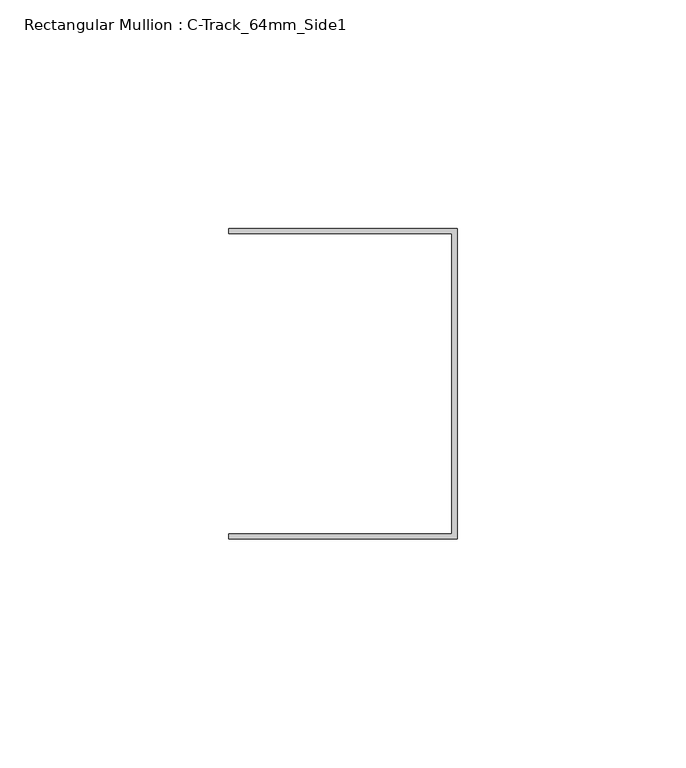
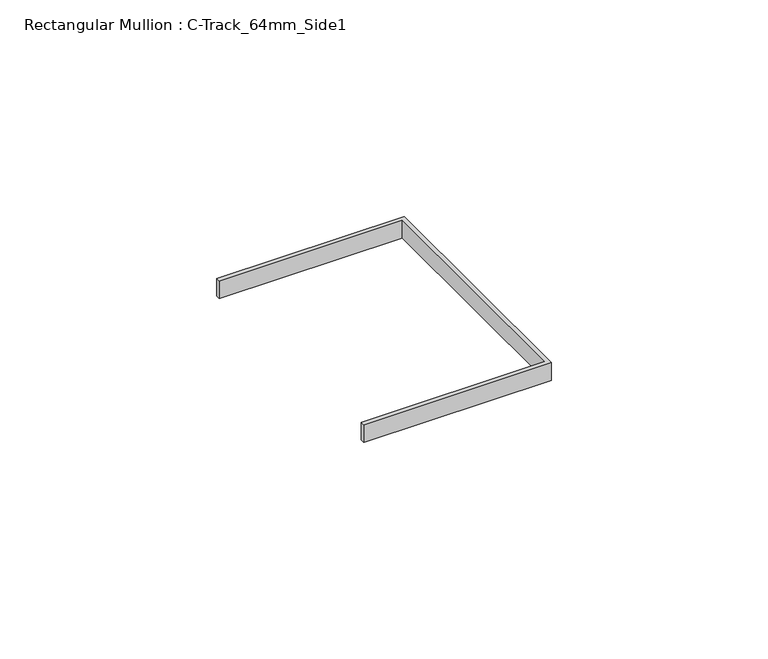
"""IFC4 building model written with IfcOpenShell, lengths in millimetres: member geometry, Rectangular Mullion : C-Track_64mm_Side1."""

from ifc_helpers import new_model, si_unit, frame, origin, place, context, project, spatial, polyline, outline, extrude, source, transform, mapped, element, save


def rectangular_mullion_c_track_64mm_side1_8ad245b5(model_context):
    return source(origin(), model_context, "Body", "SweptSolid", [
        extrude(outline(polyline([(-1.15, 32.85), (-50.0, 32.85), (-50.0, 34.0), (0.0, 34.0), (0.0, -34.0), (-50.0, -34.0), (-50.0, -32.85), (-1.15, -32.85), (-1.15, 32.85)])), frame((0.0, 0.0, -5.0), z_axis=(0.0, 0.0, 1.0), x_axis=(1.0, 0.0, 0.0)), (0.0, 0.0, 1.0), 5.0),
    ])


if __name__ == "__main__":
    model = new_model("IFC4")
    model_context = context("Model", 3, world=origin())
    ifc_project = project(units=[si_unit("LENGTHUNIT", "METRE", prefix="MILLI")], contexts=[model_context])
    site = spatial("IfcSite", under=ifc_project)
    building = spatial("IfcBuilding", under=site)
    placement = place(None, origin())
    rectangular_mullion_c_track_64mm_side1_shape = rectangular_mullion_c_track_64mm_side1_8ad245b5(model_context)
    element("IfcMember", 1, ObjectType="Rectangular Mullion : C-Track_64mm_Side1", at=placement, inside=building, context=model_context, shape_type="MappedRepresentation", body=[
        mapped(rectangular_mullion_c_track_64mm_side1_shape, transform((0.0, 0.0, 0.0), x_axis=(1.0, 0.0, 0.0), y_axis=(0.0, 1.0, 0.0), z_axis=(0.0, 0.0, 1.0))),
    ])
    save(model, "model.ifc")
